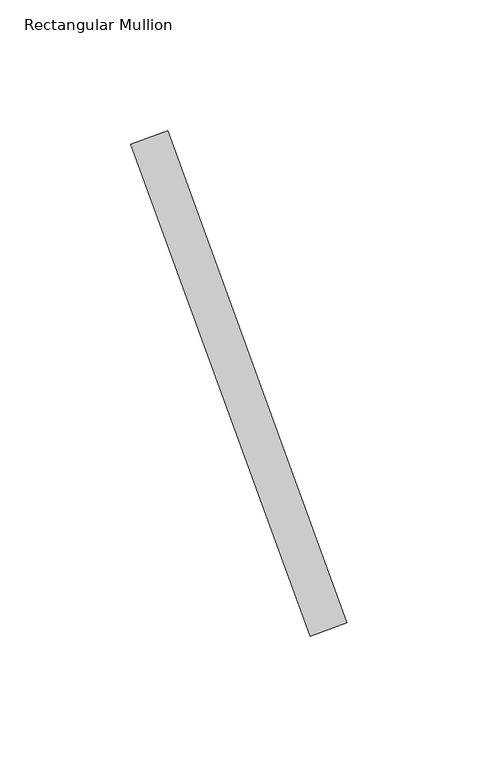
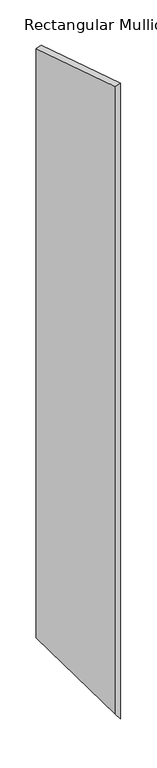
"""IFC4 building model written with IfcOpenShell, lengths in millimetres: member geometry, Rectangular Mullion."""

from ifc_helpers import new_model, si_unit, origin, place, context, project, spatial, faceted_brep, source, transform, mapped, element, save


def rectangular_mullion_6f1a18c5(model_context):
    return source(origin(), model_context, "Body", "Brep", [
        faceted_brep([(17.193429, -47.2385578, 0.0), (3.0980396, -52.36886, 0.0), (71.5020683, -240.3073841, 0.0), (85.5974576, -235.177082, 0.0), (3.0980396, -52.36886, -1384.7943406), (71.5020683, -240.3073841, -1474.7579095), (17.193429, -47.2385578, -1403.3323062), (85.5974576, -235.177082, -1493.2958751)], [[[0, 1, 2, 3]], [[2, 1, 4, 5]], [[1, 0, 6, 4]], [[3, 2, 5, 7]], [[0, 3, 7, 6]], [[6, 7, 5, 4]]]),
    ])


if __name__ == "__main__":
    model = new_model("IFC4")
    model_context = context("Model", 3, world=origin())
    ifc_project = project(units=[si_unit("LENGTHUNIT", "METRE", prefix="MILLI")], contexts=[model_context])
    site = spatial("IfcSite", under=ifc_project)
    building = spatial("IfcBuilding", under=site)
    placement = place(None, origin())
    rectangular_mullion_shape = rectangular_mullion_6f1a18c5(model_context)
    element("IfcMember", 1, ObjectType="Rectangular Mullion", at=placement, inside=building, context=model_context, shape_type="MappedRepresentation", body=[
        mapped(rectangular_mullion_shape, transform((0.0, 0.0, 0.0), x_axis=(1.0, 0.0, 0.0), y_axis=(0.0, 1.0, 0.0), z_axis=(0.0, 0.0, 1.0))),
    ])
    save(model, "model.ifc")
